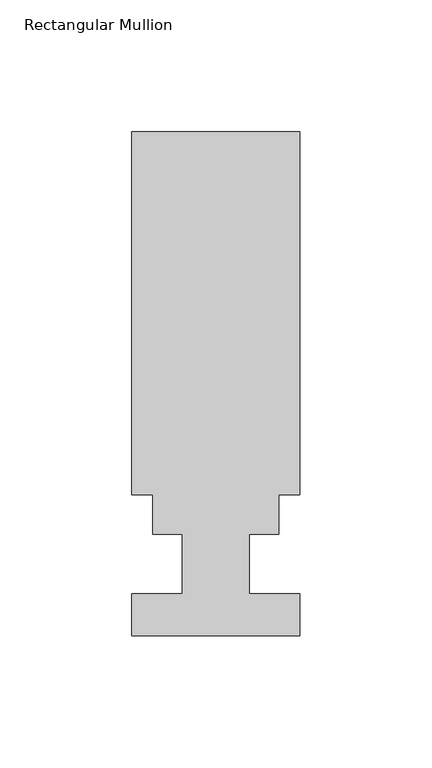
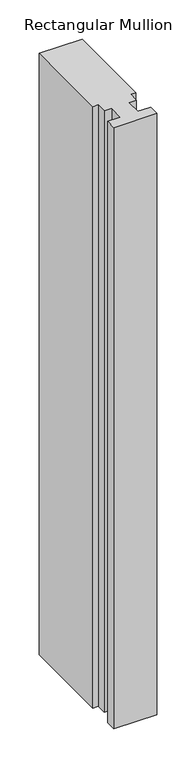
"""IFC4 building model written with IfcOpenShell, lengths in millimetres: member geometry, Rectangular Mullion."""

import ifcopenshell
import ifcopenshell.guid

model = None  # the IFC model being written
_history = None  # IfcOwnerHistory: only IFC2X3 demands one
_inside = {}  # id of a spatial element -> (the spatial element, [elements in it])
_under = {}  # id of a project, library or spatial element -> (it, [spatial elements below it])
_declared = {}  # id of a project -> (the project, [libraries it declares])
_typed = {}  # id of a type object -> (the type object, [elements of that type])
_made_of = {}  # id of a material, layer set ... -> (it, [elements and type objects made of it])


def new_model(schema):
    """Start an empty IFC model of exactly this schema.

    Asked for "IFC4X3", IfcOpenShell would pick the latest addendum, in which some entities
    have other attributes; the version numbers below select the first issue.
    IFC2X3 requires an IfcOwnerHistory on every rooted entity: one is made here for all.
    """
    global model, _history
    if schema == "IFC4X3":
        model = ifcopenshell.file(schema_version=(4, 3, 0, 0))
    else:
        model = ifcopenshell.file(schema=schema)
    _inside.clear()
    _under.clear()
    _declared.clear()
    _typed.clear()
    _made_of.clear()
    _history = None
    if model.schema == "IFC2X3":
        org = make("IfcOrganization", Name="unknown")
        user = make(
            "IfcPersonAndOrganization",
            ThePerson=make("IfcPerson", FamilyName="unknown"),
            TheOrganization=org,
        )
        app = make(
            "IfcApplication",
            ApplicationDeveloper=org,
            Version="unknown",
            ApplicationFullName="unknown",
            ApplicationIdentifier="unknown",
        )
        _history = make(
            "IfcOwnerHistory",
            OwningUser=user,
            OwningApplication=app,
            ChangeAction="ADDED",
            CreationDate=0,
        )
    return model


def make(cls, **values):
    """One entity of the class cls with the attributes given. An attribute that is None is left unset."""
    return model.create_entity(
        cls, **{name: value for name, value in values.items() if value is not None}
    )


def rooted(cls, **values):
    """An entity with a GlobalId (a new one), such as an element, a storey or a relation."""
    return make(cls, GlobalId=ifcopenshell.guid.new(), OwnerHistory=_history, **values)


def si_unit(unit_type, name, prefix=None):
    """IfcSIUnit, for example si_unit("LENGTHUNIT", "METRE", prefix="MILLI")."""
    return make("IfcSIUnit", UnitType=unit_type, Prefix=prefix, Name=name)


def assignment(units):
    """IfcUnitAssignment: the units of a project."""
    return None if units is None else make("IfcUnitAssignment", Units=units)


def point(xyz):
    """IfcCartesianPoint."""
    return None if xyz is None else make("IfcCartesianPoint", Coordinates=xyz)


def direction(xyz):
    """IfcDirection."""
    return None if xyz is None else make("IfcDirection", DirectionRatios=xyz)


def frame(location, z_axis=None, x_axis=None):
    """IfcAxis2Placement3D, a coordinate frame: its origin and axes. An axis left out is left unset."""
    return make(
        "IfcAxis2Placement3D",
        Location=point(location),
        Axis=direction(z_axis),
        RefDirection=direction(x_axis),
    )


def origin():
    """The frame at (0, 0, 0) with its axes left unset."""
    return frame((0.0, 0.0, 0.0))


def place(relative_to, where):
    """IfcLocalPlacement: puts the frame where relative to a parent placement (None: the world)."""
    return make(
        "IfcLocalPlacement", PlacementRelTo=relative_to, RelativePlacement=where
    )


def context(
    kind, dimensions, precision=None, world=None, true_north=None, identifier=None
):
    """IfcGeometricRepresentationContext, for example the 3D "Model" context."""
    return make(
        "IfcGeometricRepresentationContext",
        ContextIdentifier=identifier,
        ContextType=kind,
        CoordinateSpaceDimension=dimensions,
        Precision=precision,
        WorldCoordinateSystem=world,
        TrueNorth=true_north,
    )


def project(units=None, contexts=None):
    """IfcProject with its units and contexts."""
    return rooted(
        "IfcProject",
        Name="project",
        RepresentationContexts=contexts,
        UnitsInContext=assignment(units),
    )


def spatial(cls, under=None, at=None, **own):
    """A site, building, storey or space (cls), placed at a placement, below another one or the project."""
    s = rooted(cls, ObjectPlacement=at, **own)
    if under is not None:
        _under.setdefault(under.id(), (under, []))[1].append(s)
    return s


def polyline(points):
    """IfcPolyline through the points."""
    return make("IfcPolyline", Points=[point(p) for p in points])


def outline(outer, holes=None, kind="AREA"):
    """IfcArbitraryClosedProfileDef: a profile drawn as a closed curve; with holes, ...WithVoids."""
    if holes is None:
        return make("IfcArbitraryClosedProfileDef", ProfileType=kind, OuterCurve=outer)
    return make(
        "IfcArbitraryProfileDefWithVoids",
        ProfileType=kind,
        OuterCurve=outer,
        InnerCurves=holes,
    )


def extrude(swept, where, along, depth):
    """IfcExtrudedAreaSolid: the profile swept, set in the frame where, extruded along a direction by depth."""
    return make(
        "IfcExtrudedAreaSolid",
        SweptArea=swept,
        Position=where,
        ExtrudedDirection=direction(along),
        Depth=depth,
    )


def shape(context_of_items, identifier, shape_type, items):
    """IfcShapeRepresentation: the items that make up one representation, for example the "Body"."""
    return make(
        "IfcShapeRepresentation",
        ContextOfItems=context_of_items,
        RepresentationIdentifier=identifier,
        RepresentationType=shape_type,
        Items=items,
    )


def source(mapping_origin, context_of_items, identifier, shape_type, items):
    """IfcRepresentationMap: a shape defined once, which mapped items show again and again."""
    return make(
        "IfcRepresentationMap",
        MappingOrigin=mapping_origin,
        MappedRepresentation=shape(context_of_items, identifier, shape_type, items),
    )


def transform(
    local_origin,
    x_axis=None,
    y_axis=None,
    z_axis=None,
    scale=None,
    scale2=None,
    scale3=None,
    uniform=True,
):
    """IfcCartesianTransformationOperator3D, or its non-uniform kind. x_axis, y_axis, z_axis: its Axis1, 2, 3."""
    if uniform:
        return make(
            "IfcCartesianTransformationOperator3D",
            Axis1=direction(x_axis),
            Axis2=direction(y_axis),
            LocalOrigin=point(local_origin),
            Scale=scale,
            Axis3=direction(z_axis),
        )
    return make(
        "IfcCartesianTransformationOperator3DnonUniform",
        Axis1=direction(x_axis),
        Axis2=direction(y_axis),
        LocalOrigin=point(local_origin),
        Scale=scale,
        Axis3=direction(z_axis),
        Scale2=scale2,
        Scale3=scale3,
    )


def mapped(mapping_source, mapping_target):
    """IfcMappedItem: shows the shape of a source again, moved by a transform."""
    return make(
        "IfcMappedItem", MappingSource=mapping_source, MappingTarget=mapping_target
    )


def made_of(thing, what):
    """Note that an element or type object is made of a material, layer set ...; save() writes the relation."""
    if what is not None:
        _made_of.setdefault(what.id(), (what, []))[1].append(thing)
    return thing


def element(
    cls,
    number,
    at=None,
    inside=None,
    cuts=None,
    type_object=None,
    material=None,
    context=None,
    identifier="Body",
    shape_type=None,
    held_by="IfcProductDefinitionShape",
    body=None,
    shapes=None,
    **own,
):
    """One element of the class cls, such as IfcWall. Its Tag is "e" and its number.

    at: its placement. inside: the storey or other place that contains it. cuts: it is an
    opening in that element (IfcRelVoidsElement). A single representation is given by context,
    identifier, shape_type and body (its items); several are given by shapes. held_by: the class
    of the entity that holds the representations. save() writes the other relations.
    """
    e = rooted(cls, Tag="e%d" % number, ObjectPlacement=at, **own)
    if body is not None:
        shapes = [shape(context, identifier, shape_type, body)]
    if shapes is not None:
        e.Representation = make(held_by, Representations=shapes)
    if inside is not None:
        _inside.setdefault(inside.id(), (inside, []))[1].append(e)
    if cuts is not None:
        rooted(
            "IfcRelVoidsElement", RelatingBuildingElement=cuts, RelatedOpeningElement=e
        )
    if type_object is not None:
        _typed.setdefault(type_object.id(), (type_object, []))[1].append(e)
    return made_of(e, material)


def aggregate(whole, parts):
    """IfcRelAggregates: a whole, such as a stair, and the parts it consists of."""
    return rooted("IfcRelAggregates", RelatingObject=whole, RelatedObjects=parts)


def save(model, path):
    """Write the relations noted so far, then the file.

    IfcRelAggregates (storeys below a building ...), IfcRelContainedInSpatialStructure (elements
    in a storey), IfcRelDefinesByType, IfcRelAssociatesMaterial and IfcRelDeclares: one each for
    every whole, place, type object, material and project.
    """
    for whole, parts in _under.values():
        aggregate(whole, parts)
    for where, things in _inside.values():
        rooted(
            "IfcRelContainedInSpatialStructure",
            RelatedElements=things,
            RelatingStructure=where,
        )
    for kind, things in _typed.values():
        rooted("IfcRelDefinesByType", RelatedObjects=things, RelatingType=kind)
    for what, things in _made_of.values():
        rooted("IfcRelAssociatesMaterial", RelatedObjects=things, RelatingMaterial=what)
    for by, libraries in _declared.values():
        rooted("IfcRelDeclares", RelatingContext=by, RelatedDefinitions=libraries)
    model.write(path)


def rectangular_mullion_76c5ba9d(model_context):
    return source(origin(), model_context, "Body", "SweptSolid", [
        extrude(outline(polyline([(-31.75, 15.1614187), (-31.75, 152.4992188), (31.75, 152.4992188), (31.75, 15.1614188), (23.8252, 15.1614188), (23.8252, 0.0992188), (12.7, 0.0992188), (12.7, -22.3797812), (31.75, -22.3797812), (31.75, -38.2547812), (-31.75, -38.2547812), (-31.75, -22.3543812), (-12.7, -22.3543812), (-12.7, 0.0992188), (-23.8252, 0.0992187), (-23.8252, 15.1614187), (-31.75, 15.1614187)])), frame((0.0, 0.0, -937.976362), z_axis=(0.0, 0.0, 1.0), x_axis=(1.0, 0.0, 0.0)), (0.0, 0.0, 1.0), 937.976362),
    ])


if __name__ == "__main__":
    model = new_model("IFC4")
    model_context = context("Model", 3, world=origin())
    ifc_project = project(units=[si_unit("LENGTHUNIT", "METRE", prefix="MILLI")], contexts=[model_context])
    site = spatial("IfcSite", under=ifc_project)
    building = spatial("IfcBuilding", under=site)
    placement = place(None, origin())
    rectangular_mullion_shape = rectangular_mullion_76c5ba9d(model_context)
    element("IfcMember", 1, ObjectType="Rectangular Mullion", at=placement, inside=building, context=model_context, shape_type="MappedRepresentation", body=[
        mapped(rectangular_mullion_shape, transform((0.0, 0.0, 0.0), x_axis=(1.0, 0.0, 0.0), y_axis=(0.0, 1.0, 0.0), z_axis=(0.0, 0.0, 1.0))),
    ])
    save(model, "model.ifc")
